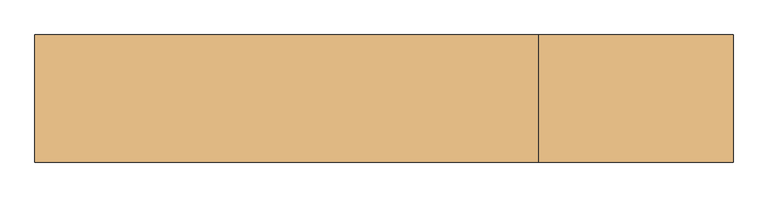
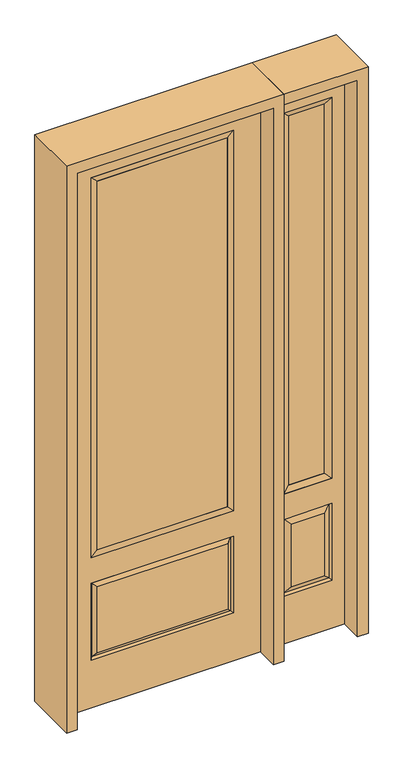
"""IFC4 building model written with IfcOpenShell, lengths in millimetres: door geometry."""

from ifc_helpers import new_model, si_unit, frame, origin, place, context, project, spatial, polyline, outline, extrude, faceted_brep, source, transform, mapped, element, save


def door_a2881510(model_context):
    return source(origin(), model_context, "Body", "SolidModel", [
        faceted_brep([(450.85, -22.225, 0.0), (755.65, -22.225, 0.0), (755.65, -22.225, 2438.4), (450.85, -22.225, 2438.4), (703.58, -22.225, 2325.624), (703.58, -22.225, 657.098), (502.92, -22.225, 657.098), (502.92, -22.225, 2325.624), (703.58, -22.225, 209.55), (502.92, -22.225, 209.55), (502.92, -22.225, 546.1), (703.58, -22.225, 546.1), (534.6351001, -22.225, 241.2651001), (671.8648999, -22.225, 241.2651001), (671.8648999, -22.225, 514.3848999), (534.6351001, -22.225, 514.3848999), (450.85, 22.225, 0.0), (450.85, 22.225, 2438.4), (755.65, 22.225, 2438.4), (755.65, 22.225, 0.0), (703.58, 22.225, 2325.624), (502.92, 22.225, 2325.624), (502.92, 22.225, 657.098), (703.58, 22.225, 657.098), (502.92, 22.225, 209.55), (703.58, 22.225, 209.55), (703.58, 22.225, 546.1), (502.92, 22.225, 546.1), (671.8648999, 22.225, 241.2651001), (534.6351001, 22.225, 241.2651001), (534.6351001, 22.225, 514.3848999), (671.8648999, 22.225, 514.3848999), (696.4711499, 12.7912373, 216.6588501), (510.0288501, 12.7912373, 216.6588501), (510.0288501, 12.7912373, 538.9911499), (696.4711499, 12.7912373, 538.9911499), (510.0288501, -12.7912373, 216.6588501), (696.4711499, -12.7912373, 216.6588501), (510.0288501, -12.7912373, 538.9911499), (696.4711499, -12.7912373, 538.9911499)], [[[0, 1, 2, 3], [4, 5, 6, 7], [8, 9, 10, 11]], [[12, 13, 14, 15]], [[16, 17, 18, 19], [20, 21, 22, 23], [24, 25, 26, 27]], [[28, 29, 30, 31]], [[1, 0, 16, 19]], [[2, 1, 19, 18]], [[3, 2, 18, 17]], [[0, 3, 17, 16]], [[5, 4, 20, 23]], [[6, 5, 23, 22]], [[7, 6, 22, 21]], [[4, 7, 21, 20]], [[32, 33, 29, 28]], [[33, 32, 25, 24]], [[29, 33, 34, 30]], [[33, 24, 27, 34]], [[30, 34, 35, 31]], [[34, 27, 26, 35]], [[32, 28, 31, 35]], [[25, 32, 35, 26]], [[12, 36, 37, 13]], [[37, 36, 9, 8]], [[36, 12, 15, 38]], [[9, 36, 38, 10]], [[38, 15, 14, 39]], [[10, 38, 39, 11]], [[13, 37, 39, 14]], [[37, 8, 11, 39]]]),
        faceted_brep([(502.92, 22.225, 2325.624), (502.92, -22.225, 2325.624), (703.58, -22.225, 2325.624), (703.58, 22.225, 2325.624), (528.32, 12.7, 2300.224), (678.18, 12.7, 2300.224), (528.32, -12.7, 2300.224), (678.18, -12.7, 2300.224), (703.58, -22.225, 657.098), (703.58, 22.225, 657.098), (678.18, 12.7, 682.498), (678.18, -12.7, 682.498), (502.92, -22.225, 657.098), (502.92, 22.225, 657.098), (528.32, 12.7, 682.498), (528.32, -12.7, 682.498)], [[[0, 1, 2, 3]], [[4, 0, 3, 5]], [[6, 4, 5, 7]], [[1, 6, 7, 2]], [[3, 2, 8, 9]], [[5, 3, 9, 10]], [[7, 5, 10, 11]], [[2, 7, 11, 8]], [[9, 8, 12, 13]], [[10, 9, 13, 14]], [[11, 10, 14, 15]], [[8, 11, 15, 12]], [[13, 12, 1, 0]], [[14, 13, 0, 4]], [[15, 14, 4, 6]], [[12, 15, 6, 1]]]),
        extrude(outline(polyline([(678.18, -12.7), (528.32, -12.7), (528.32, 12.7), (678.18, 12.7), (678.18, -12.7)])), frame((0.0, 0.0, 682.498), z_axis=(0.0, 0.0, 1.0), x_axis=(1.0, 0.0, 0.0)), (0.0, 0.0, 1.0), 1617.726),
        extrude(outline(polyline([(269.875, -20.32), (-269.875, -20.32), (-269.875, 5.08), (269.875, 5.08), (269.875, -20.32)])), frame((0.0, 0.0, 682.498), z_axis=(0.0, 0.0, 1.0), x_axis=(1.0, 0.0, 0.0)), (0.0, 0.0, 1.0), 1616.202),
        faceted_brep([(-288.1661499, -12.7912373, 216.6588501), (288.1661499, -12.7912373, 216.6588501), (270.66875, -22.225, 234.15625), (-270.66875, -22.225, 234.15625), (-295.275, -22.225, 209.55), (295.275, -22.225, 209.55), (-288.1661499, -12.7912373, 538.9911499), (-295.275, -22.225, 546.1), (270.66875, -22.225, 521.49375), (-270.66875, -22.225, 521.49375), (406.4, -22.225, 2438.4), (-406.4, -22.225, 2438.4), (-406.4, -22.225, 0.0), (406.4, -22.225, 0.0), (295.275, -22.225, 546.1), (295.275, -22.225, 2324.1), (295.275, -22.225, 657.098), (-295.275, -22.225, 657.098), (-295.275, -22.225, 2324.1), (288.1661499, -12.7912373, 538.9911499), (-406.4, 22.225, 2438.4), (-406.4, 22.225, 0.0), (406.4, 22.225, 0.0), (406.4, 22.225, 2438.4), (295.275, 22.225, 2324.1), (295.275, 22.225, 657.098), (-295.275, 22.225, 657.098), (-295.275, 22.225, 2324.1), (-295.275, 22.225, 209.55), (295.275, 22.225, 209.55), (295.275, 22.225, 546.1), (-295.275, 22.225, 546.1), (270.66875, 22.225, 234.15625), (-270.66875, 22.225, 234.15625), (-270.66875, 22.225, 521.49375), (270.66875, 22.225, 521.49375), (-288.1661499, 12.7912373, 216.6588501), (288.1661499, 12.7912373, 216.6588501), (288.1661499, 12.7912373, 538.9911499), (-288.1661499, 12.7912373, 538.9911499)], [[[0, 1, 2, 3]], [[1, 0, 4, 5]], [[4, 0, 6, 7]], [[3, 2, 8, 9]], [[10, 11, 12, 13], [5, 4, 7, 14], [15, 16, 17, 18]], [[1, 5, 14, 19]], [[2, 1, 19, 8]], [[0, 3, 9, 6]], [[7, 6, 19, 14]], [[6, 9, 8, 19]], [[12, 11, 20, 21]], [[13, 12, 21, 22]], [[10, 13, 22, 23]], [[16, 15, 24, 25]], [[17, 16, 25, 26]], [[18, 17, 26, 27]], [[23, 22, 21, 20], [28, 29, 30, 31], [24, 27, 26, 25]], [[32, 33, 34, 35]], [[28, 36, 37, 29]], [[29, 37, 38, 30]], [[39, 31, 30, 38]], [[36, 28, 31, 39]], [[37, 36, 33, 32]], [[33, 36, 39, 34]], [[34, 39, 38, 35]], [[37, 32, 35, 38]], [[11, 10, 23, 20]], [[15, 18, 27, 24]]]),
        faceted_brep([(-295.275, -22.225, 2324.1), (-295.275, 22.225, 2324.1), (-295.275, 22.225, 657.098), (-295.275, -22.225, 657.098), (295.275, 22.225, 657.098), (295.275, -22.225, 657.098), (-269.875, 5.08, 682.498), (269.875, 5.08, 682.498), (295.275, 22.225, 2324.1), (295.275, -22.225, 2324.1), (-269.875, -20.32, 682.498), (269.875, -20.32, 682.498), (-269.875, -20.32, 2298.7), (269.875, -20.32, 2298.7), (-269.875, 5.08, 2298.7), (269.875, 5.08, 2298.7)], [[[0, 1, 2, 3]], [[3, 2, 4, 5]], [[2, 6, 7, 4]], [[5, 4, 8, 9]], [[10, 3, 5, 11]], [[12, 0, 3, 10]], [[11, 5, 9, 13]], [[6, 10, 11, 7]], [[14, 12, 10, 6]], [[7, 11, 13, 15]], [[1, 14, 6, 2]], [[4, 7, 15, 8]], [[9, 8, 1, 0]], [[13, 9, 0, 12]], [[15, 13, 12, 14]], [[8, 15, 14, 1]]]),
        extrude(outline(polyline([(2482.85, -450.85), (0.0, -450.85), (0.0, -406.4), (2438.4, -406.4), (2438.4, 406.4), (0.0, 406.4), (0.0, 450.85), (2482.85, 450.85), (2482.85, -450.85)])), frame((0.0, -114.3, 0.0), z_axis=(0.0, 1.0, 0.0), x_axis=(0.0, 0.0, 1.0)), (0.0, 0.0, 1.0), 228.6),
        extrude(outline(polyline([(0.0, 755.65), (0.0, 800.1), (2482.85, 800.1), (2482.85, 450.85), (2438.4, 450.85), (2438.4, 755.65), (0.0, 755.65)])), frame((0.0, -114.3, 0.0), z_axis=(0.0, 1.0, 0.0), x_axis=(0.0, 0.0, 1.0)), (0.0, 0.0, 1.0), 228.6),
    ])


if __name__ == "__main__":
    model = new_model("IFC4")
    model_context = context("Model", 3, world=origin())
    ifc_project = project(units=[si_unit("LENGTHUNIT", "METRE", prefix="MILLI")], contexts=[model_context])
    site = spatial("IfcSite", under=ifc_project)
    building = spatial("IfcBuilding", under=site)
    placement = place(None, origin())
    door_shape = door_a2881510(model_context)
    element("IfcDoor", 1, at=placement, inside=building, context=model_context, shape_type="MappedRepresentation", body=[
        mapped(door_shape, transform((0.0, 0.0, 0.0), x_axis=(1.0, 0.0, 0.0), y_axis=(0.0, 1.0, 0.0), z_axis=(0.0, 0.0, 1.0))),
    ])
    save(model, "model.ifc")
